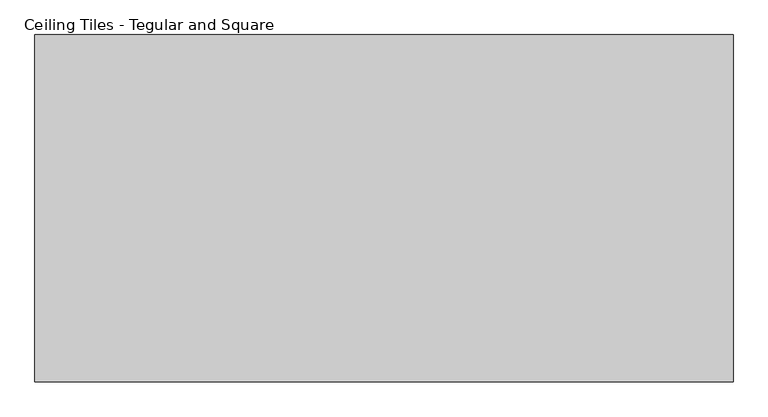
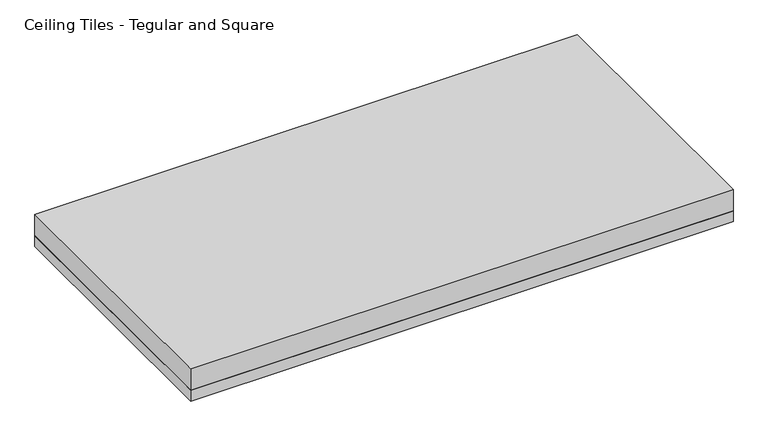
"""IFC4 building model written with IfcOpenShell, lengths in millimetres: proxy geometry, Ceiling Tiles - Tegular and Square."""

from ifc_helpers import new_model, si_unit, frame, origin, origin_with_axes, place, context, project, spatial, polyline, outline, extrude, source, transform, mapped, element, save


def ceiling_tiles_tegular_and_square_620697dc(model_context):
    return source(origin(), model_context, "Body", "SweptSolid", [
        extrude(outline(polyline([(606.425, 301.625), (606.425, -301.625), (-606.425, -301.625), (-606.425, 301.625), (606.425, 301.625)])), origin_with_axes(), (0.0, 0.0, 1.0), 25.4),
        extrude(outline(polyline([(-606.425, 301.625), (606.425, 301.625), (606.425, -301.625), (-606.425, -301.625), (-606.425, 301.625)])), frame((0.0, 0.0, 25.4), z_axis=(0.0, 0.0, 1.0), x_axis=(1.0, 0.0, 0.0)), (0.0, 0.0, 1.0), 50.8),
    ])


if __name__ == "__main__":
    model = new_model("IFC4")
    model_context = context("Model", 3, world=origin())
    ifc_project = project(units=[si_unit("LENGTHUNIT", "METRE", prefix="MILLI")], contexts=[model_context])
    site = spatial("IfcSite", under=ifc_project)
    building = spatial("IfcBuilding", under=site)
    placement = place(None, origin())
    ceiling_tiles_tegular_and_square_shape = ceiling_tiles_tegular_and_square_620697dc(model_context)
    element("IfcBuildingElementProxy", 1, Name="Ceiling Tiles - Tegular and Square", ObjectType="Ceiling Tiles - Tegular and Square", at=placement, inside=building, context=model_context, shape_type="MappedRepresentation", body=[
        mapped(ceiling_tiles_tegular_and_square_shape, transform((0.0, 0.0, 0.0), x_axis=(1.0, 0.0, 0.0), y_axis=(0.0, 1.0, 0.0), z_axis=(0.0, 0.0, 1.0))),
    ])
    save(model, "model.ifc")
